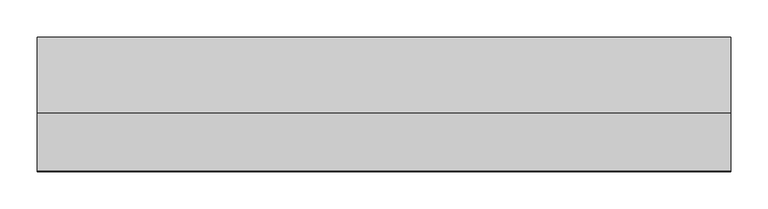
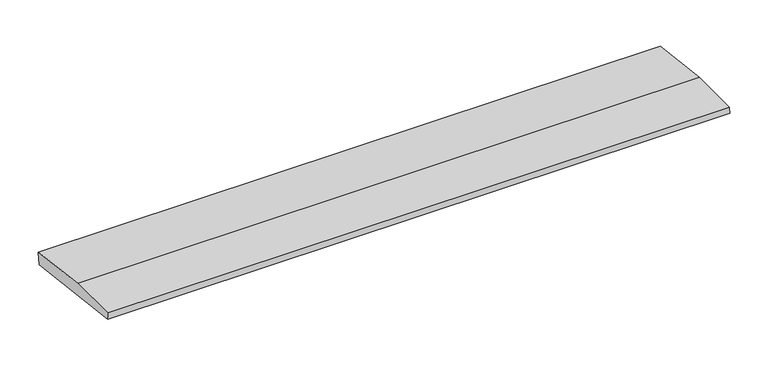
"""IFC4 building model written with IfcOpenShell, lengths in millimetres: beam geometry."""

from ifc_helpers import new_model, si_unit, frame, origin, place, context, project, spatial, polyline, outline, extrude, source, transform, mapped, element, save


def beam_8964b9ef(model_context):
    return source(origin(), model_context, "Body", "SweptSolid", [
        extrude(outline(polyline([(0.0, -9.143159), (1.1226388, 0.0), (79.0749747, 0.0), (180.9387048, -12.5072934), (178.6231873, -31.3656703), (0.0, -9.143159)])), frame((-466.7672895, 0.0, 0.0), z_axis=(1.0, 0.0, 0.0), x_axis=(0.0, 1.0, 0.0)), (0.0, 0.0, 1.0), 933.534579),
    ])


if __name__ == "__main__":
    model = new_model("IFC4")
    model_context = context("Model", 3, world=origin())
    ifc_project = project(units=[si_unit("LENGTHUNIT", "METRE", prefix="MILLI")], contexts=[model_context])
    site = spatial("IfcSite", under=ifc_project)
    building = spatial("IfcBuilding", under=site)
    placement = place(None, origin())
    beam_shape = beam_8964b9ef(model_context)
    element("IfcBeam", 1, at=placement, inside=building, context=model_context, shape_type="MappedRepresentation", body=[
        mapped(beam_shape, transform((0.0, 0.0, 0.0), x_axis=(1.0, 0.0, 0.0), y_axis=(0.0, 1.0, 0.0), z_axis=(0.0, 0.0, 1.0))),
    ])
    save(model, "model.ifc")
